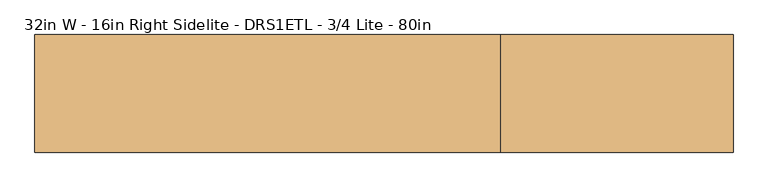
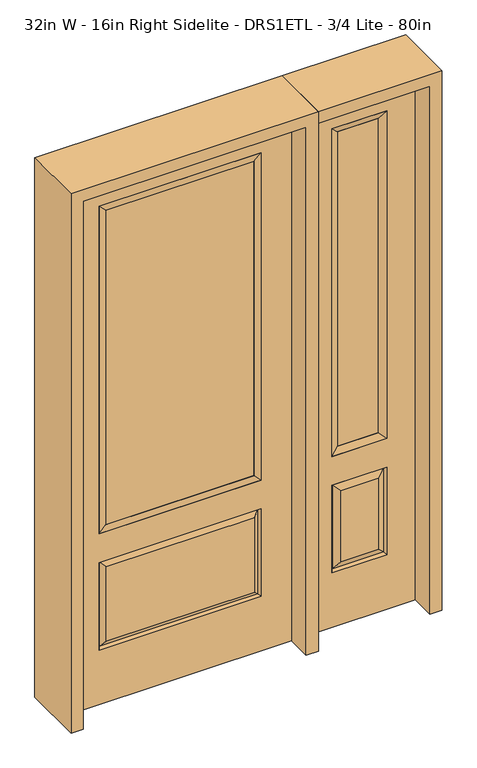
"""IFC4 building model written with IfcOpenShell, lengths in millimetres: door geometry, 32in W - 16in Right Sidelite - DRS1ETL - 3/4 Lite - 80in."""

from ifc_helpers import new_model, si_unit, frame, origin, place, context, project, spatial, polyline, outline, extrude, faceted_brep, source, transform, mapped, element, save


def door_32in_w_16in_right_sidelite_drs1etl_3_4_lite_80in_33503a93(model_context):
    return source(origin(), model_context, "Body", "SolidModel", [
        faceted_brep([(450.85, -22.225, 0.0), (857.25, -22.225, 0.0), (857.25, -22.225, 2032.0), (450.85, -22.225, 2032.0), (754.38, -22.225, 1919.224), (754.38, -22.225, 657.098), (553.72, -22.225, 657.098), (553.72, -22.225, 1919.224), (754.38, -22.225, 209.55), (553.72, -22.225, 209.55), (553.72, -22.225, 546.1), (754.38, -22.225, 546.1), (585.4351001, -22.225, 241.2651001), (722.6648999, -22.225, 241.2651001), (722.6648999, -22.225, 514.3848999), (585.4351001, -22.225, 514.3848999), (450.85, 22.225, 0.0), (450.85, 22.225, 2032.0), (857.25, 22.225, 2032.0), (857.25, 22.225, 0.0), (754.38, 22.225, 1919.224), (553.72, 22.225, 1919.224), (553.72, 22.225, 657.098), (754.38, 22.225, 657.098), (553.72, 22.225, 209.55), (754.38, 22.225, 209.55), (754.38, 22.225, 546.1), (553.72, 22.225, 546.1), (722.6648999, 22.225, 241.2651001), (585.4351001, 22.225, 241.2651001), (585.4351001, 22.225, 514.3848999), (722.6648999, 22.225, 514.3848999), (747.2711499, 12.7912373, 216.6588501), (560.8288501, 12.7912373, 216.6588501), (560.8288501, 12.7912373, 538.9911499), (747.2711499, 12.7912373, 538.9911499), (560.8288501, -12.7912373, 216.6588501), (747.2711499, -12.7912373, 216.6588501), (560.8288501, -12.7912373, 538.9911499), (747.2711499, -12.7912373, 538.9911499)], [[[0, 1, 2, 3], [4, 5, 6, 7], [8, 9, 10, 11]], [[12, 13, 14, 15]], [[16, 17, 18, 19], [20, 21, 22, 23], [24, 25, 26, 27]], [[28, 29, 30, 31]], [[1, 0, 16, 19]], [[2, 1, 19, 18]], [[3, 2, 18, 17]], [[0, 3, 17, 16]], [[5, 4, 20, 23]], [[6, 5, 23, 22]], [[7, 6, 22, 21]], [[4, 7, 21, 20]], [[32, 33, 29, 28]], [[33, 32, 25, 24]], [[29, 33, 34, 30]], [[33, 24, 27, 34]], [[30, 34, 35, 31]], [[34, 27, 26, 35]], [[32, 28, 31, 35]], [[25, 32, 35, 26]], [[12, 36, 37, 13]], [[37, 36, 9, 8]], [[36, 12, 15, 38]], [[9, 36, 38, 10]], [[38, 15, 14, 39]], [[10, 38, 39, 11]], [[13, 37, 39, 14]], [[37, 8, 11, 39]]]),
        faceted_brep([(553.72, 22.225, 1919.224), (553.72, -22.225, 1919.224), (754.38, -22.225, 1919.224), (754.38, 22.225, 1919.224), (579.12, 12.7, 1893.824), (728.98, 12.7, 1893.824), (579.12, -12.7, 1893.824), (728.98, -12.7, 1893.824), (754.38, -22.225, 657.098), (754.38, 22.225, 657.098), (728.98, 12.7, 682.498), (728.98, -12.7, 682.498), (553.72, -22.225, 657.098), (553.72, 22.225, 657.098), (579.12, 12.7, 682.498), (579.12, -12.7, 682.498)], [[[0, 1, 2, 3]], [[4, 0, 3, 5]], [[6, 4, 5, 7]], [[1, 6, 7, 2]], [[3, 2, 8, 9]], [[5, 3, 9, 10]], [[7, 5, 10, 11]], [[2, 7, 11, 8]], [[9, 8, 12, 13]], [[10, 9, 13, 14]], [[11, 10, 14, 15]], [[8, 11, 15, 12]], [[13, 12, 1, 0]], [[14, 13, 0, 4]], [[15, 14, 4, 6]], [[12, 15, 6, 1]]]),
        extrude(outline(polyline([(728.98, -12.7), (579.12, -12.7), (579.12, 12.7), (728.98, 12.7), (728.98, -12.7)])), frame((0.0, 0.0, 682.498), z_axis=(0.0, 0.0, 1.0), x_axis=(1.0, 0.0, 0.0)), (0.0, 0.0, 1.0), 1211.326),
        faceted_brep([(-288.1661499, -12.7912373, 216.6588501), (288.1661499, -12.7912373, 216.6588501), (270.66875, -22.225, 234.15625), (-270.66875, -22.225, 234.15625), (-295.275, -22.225, 209.55), (295.275, -22.225, 209.55), (-288.1661499, -12.7912373, 538.9911499), (-295.275, -22.225, 546.1), (270.66875, -22.225, 521.49375), (-270.66875, -22.225, 521.49375), (406.4, -22.225, 2032.0), (-406.4, -22.225, 2032.0), (-406.4, -22.225, 0.0), (406.4, -22.225, 0.0), (295.275, -22.225, 546.1), (295.275, -22.225, 1917.7), (295.275, -22.225, 657.098), (-295.275, -22.225, 657.098), (-295.275, -22.225, 1917.7), (288.1661499, -12.7912373, 538.9911499), (-406.4, 22.225, 2032.0), (-406.4, 22.225, 0.0), (406.4, 22.225, 0.0), (406.4, 22.225, 2032.0), (295.275, 22.225, 1917.7), (295.275, 22.225, 657.098), (-295.275, 22.225, 657.098), (-295.275, 22.225, 1917.7), (-295.275, 22.225, 209.55), (295.275, 22.225, 209.55), (295.275, 22.225, 546.1), (-295.275, 22.225, 546.1), (270.66875, 22.225, 234.15625), (-270.66875, 22.225, 234.15625), (-270.66875, 22.225, 521.49375), (270.66875, 22.225, 521.49375), (-288.1661499, 12.7912373, 216.6588501), (288.1661499, 12.7912373, 216.6588501), (288.1661499, 12.7912373, 538.9911499), (-288.1661499, 12.7912373, 538.9911499)], [[[0, 1, 2, 3]], [[1, 0, 4, 5]], [[4, 0, 6, 7]], [[3, 2, 8, 9]], [[10, 11, 12, 13], [5, 4, 7, 14], [15, 16, 17, 18]], [[1, 5, 14, 19]], [[2, 1, 19, 8]], [[0, 3, 9, 6]], [[7, 6, 19, 14]], [[6, 9, 8, 19]], [[12, 11, 20, 21]], [[13, 12, 21, 22]], [[10, 13, 22, 23]], [[16, 15, 24, 25]], [[17, 16, 25, 26]], [[18, 17, 26, 27]], [[23, 22, 21, 20], [28, 29, 30, 31], [24, 27, 26, 25]], [[32, 33, 34, 35]], [[28, 36, 37, 29]], [[29, 37, 38, 30]], [[39, 31, 30, 38]], [[36, 28, 31, 39]], [[37, 36, 33, 32]], [[33, 36, 39, 34]], [[34, 39, 38, 35]], [[37, 32, 35, 38]], [[11, 10, 23, 20]], [[15, 18, 27, 24]]]),
        faceted_brep([(-295.275, -22.225, 1917.7), (-295.275, 22.225, 1917.7), (-295.275, 22.225, 657.098), (-295.275, -22.225, 657.098), (295.275, 22.225, 657.098), (295.275, -22.225, 657.098), (-269.875, 5.08, 682.498), (269.875, 5.08, 682.498), (295.275, 22.225, 1917.7), (295.275, -22.225, 1917.7), (-269.875, -20.32, 682.498), (269.875, -20.32, 682.498), (-269.875, -20.32, 1892.3), (269.875, -20.32, 1892.3), (-269.875, 5.08, 1892.3), (269.875, 5.08, 1892.3)], [[[0, 1, 2, 3]], [[3, 2, 4, 5]], [[2, 6, 7, 4]], [[5, 4, 8, 9]], [[10, 3, 5, 11]], [[12, 0, 3, 10]], [[11, 5, 9, 13]], [[6, 10, 11, 7]], [[14, 12, 10, 6]], [[7, 11, 13, 15]], [[1, 14, 6, 2]], [[4, 7, 15, 8]], [[9, 8, 1, 0]], [[13, 9, 0, 12]], [[15, 13, 12, 14]], [[8, 15, 14, 1]]]),
        extrude(outline(polyline([(269.875, -20.32), (-269.875, -20.32), (-269.875, 5.08), (269.875, 5.08), (269.875, -20.32)])), frame((0.0, 0.0, 682.498), z_axis=(0.0, 0.0, 1.0), x_axis=(1.0, 0.0, 0.0)), (0.0, 0.0, 1.0), 1209.802),
        extrude(outline(polyline([(2076.45, -450.85), (0.0, -450.85), (0.0, -406.4), (2032.0, -406.4), (2032.0, 406.4), (0.0, 406.4), (0.0, 450.85), (2076.45, 450.85), (2076.45, -450.85)])), frame((0.0, -114.3, 0.0), z_axis=(0.0, 1.0, 0.0), x_axis=(0.0, 0.0, 1.0)), (0.0, 0.0, 1.0), 228.6),
        extrude(outline(polyline([(0.0, 857.25), (0.0, 901.7), (2076.45, 901.7), (2076.45, 450.85), (2032.0, 450.85), (2032.0, 857.25), (0.0, 857.25)])), frame((0.0, -114.3, 0.0), z_axis=(0.0, 1.0, 0.0), x_axis=(0.0, 0.0, 1.0)), (0.0, 0.0, 1.0), 228.6),
    ])


if __name__ == "__main__":
    model = new_model("IFC4")
    model_context = context("Model", 3, world=origin())
    ifc_project = project(units=[si_unit("LENGTHUNIT", "METRE", prefix="MILLI")], contexts=[model_context])
    site = spatial("IfcSite", under=ifc_project)
    building = spatial("IfcBuilding", under=site)
    placement = place(None, origin())
    door_32in_w_16in_right_sidelite_drs1etl_3_4_lite_80in_shape = door_32in_w_16in_right_sidelite_drs1etl_3_4_lite_80in_33503a93(model_context)
    element("IfcDoor", 1, ObjectType="32in W - 16in Right Sidelite - DRS1ETL - 3/4 Lite - 80in", at=placement, inside=building, context=model_context, shape_type="MappedRepresentation", body=[
        mapped(door_32in_w_16in_right_sidelite_drs1etl_3_4_lite_80in_shape, transform((0.0, 0.0, 0.0), x_axis=(1.0, 0.0, 0.0), y_axis=(0.0, 1.0, 0.0), z_axis=(0.0, 0.0, 1.0))),
    ])
    save(model, "model.ifc")
